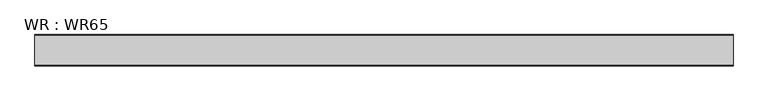
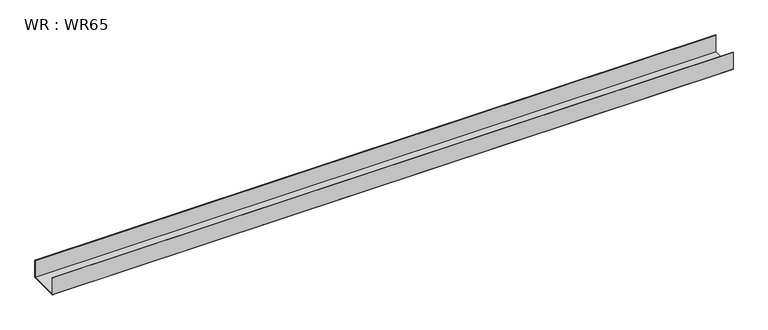
"""IFC4 building model written with IfcOpenShell, lengths in millimetres: proxy geometry, WR : WR65."""

from ifc_helpers import new_model, si_unit, point, frame, frame_2d, origin, place, context, project, spatial, polyline, circle_curve, trimmed, segment, composite_curve, outline, extrude, source, transform, mapped, element, save


def wr_wr65_bb9d260f(model_context):
    return source(origin(), model_context, "Body", "SweptSolid", [
        extrude(outline(composite_curve([segment(polyline([(-32.7, 40.0), (-32.7, 0.8), (32.7, 0.8), (32.7, 40.0), (33.5, 40.0), (33.5, 0.8)]), True, "CONTINUOUS"), segment(trimmed(circle_curve(frame_2d((32.7, 0.8)), 0.8), [point((33.5, 0.8))], [point((32.7, 0.0))], False, "CARTESIAN"), True, "CONTINUOUS"), segment(polyline([(32.7, 0.0), (-32.7, 0.0)]), True, "CONTINUOUS"), segment(trimmed(circle_curve(frame_2d((-32.7, 0.8)), 0.8), [point((-32.7, 0.0))], [point((-33.5, 0.8))], False, "CARTESIAN"), True, "CONTINUOUS"), segment(polyline([(-33.5, 0.8), (-33.5, 40.0), (-32.7, 40.0)]), True, "CONTINUOUS")], self_intersect=False)), frame((0.0, 0.0, 0.0), z_axis=(1.0, 0.0, 0.0), x_axis=(0.0, 1.0, 0.0)), (0.0, 0.0, 1.0), 1500.0),
    ])


if __name__ == "__main__":
    model = new_model("IFC4")
    model_context = context("Model", 3, world=origin())
    ifc_project = project(units=[si_unit("LENGTHUNIT", "METRE", prefix="MILLI")], contexts=[model_context])
    site = spatial("IfcSite", under=ifc_project)
    building = spatial("IfcBuilding", under=site)
    placement = place(None, origin())
    wr_wr65_shape = wr_wr65_bb9d260f(model_context)
    element("IfcBuildingElementProxy", 1, Name="WR : WR65", ObjectType="WR : WR65", at=placement, inside=building, context=model_context, shape_type="MappedRepresentation", body=[
        mapped(wr_wr65_shape, transform((0.0, 0.0, 0.0), x_axis=(1.0, 0.0, 0.0), y_axis=(0.0, 1.0, 0.0), z_axis=(0.0, 0.0, 1.0))),
    ])
    save(model, "model.ifc")
